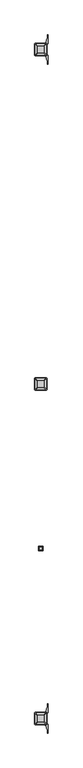
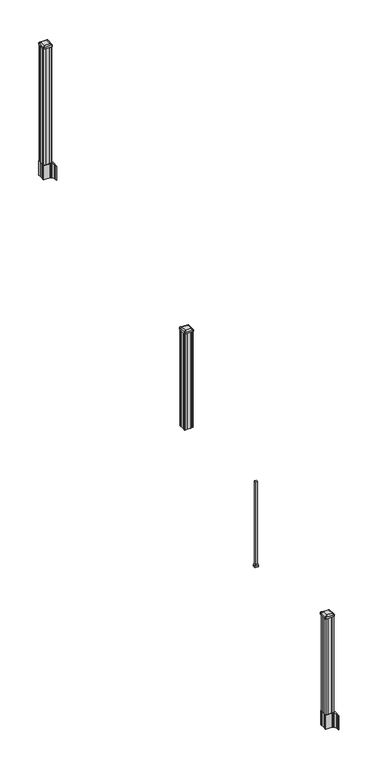
"""IFC4 building model written with IfcOpenShell, lengths in millimetres: railing geometry."""

from ifc_helpers import new_model, si_unit, point, frame, frame_2d, origin, place, context, project, spatial, polyline, circle_curve, trimmed, segment, composite_curve, outline, extrude, faceted_brep, source, transform, mapped, element, save
from ifc_brep_helpers import plane_surface, extruded_surface, advanced_brep


def railing_684fc0f4(model_context):
    return source(origin(), model_context, "Body", "SolidModel", [
        advanced_brep(
        [(8709.4626478, -100746.2347203, 2774.439263), (8712.6376478, -100743.0597203, 2774.439263), (8712.6376478, -100691.4659703, 2774.439263), (8709.4626478, -100688.2909703, 2774.439263), (8657.8688978, -100688.2909703, 2774.439263), (8654.6938978, -100691.4659703, 2774.439263), (8654.6938978, -100743.0597203, 2774.439263), (8657.8688978, -100746.2347203, 2774.439263), (8725.7345228, -100762.5065953, 2763.136263), (8641.5970228, -100762.5065953, 2763.136263), (8638.4220228, -100759.3315953, 2763.136263), (8638.4220228, -100675.1940953, 2763.136263), (8641.5970228, -100672.0190953, 2763.136263), (8725.7345228, -100672.0190953, 2763.136263), (8728.9095228, -100675.1940953, 2763.136263), (8728.9095228, -100759.3315953, 2763.136263)],
        [
            (0, 1, circle_curve(frame((8709.4626478, -100743.0597203, 2774.439263), z_axis=(0.0, 0.0, 1.0), x_axis=(0.0, 1.0, 0.0)), 3.175)),
            (1, 2),
            (2, 3, circle_curve(frame((8709.4626478, -100691.4659703, 2774.439263), z_axis=(0.0, 0.0, 1.0), x_axis=(0.0, 1.0, 0.0)), 3.175)),
            (3, 4),
            (4, 5, circle_curve(frame((8657.8688978, -100691.4659703, 2774.439263), z_axis=(0.0, 0.0, 1.0), x_axis=(0.0, 1.0, 0.0)), 3.175)),
            (5, 6),
            (6, 7, circle_curve(frame((8657.8688978, -100743.0597203, 2774.439263), z_axis=(0.0, 0.0, 1.0), x_axis=(0.0, 1.0, 0.0)), 3.175)),
            (7, 0),
            (8, 9),
            (9, 10, circle_curve(frame((8641.5970228, -100759.3315953, 2763.136263), z_axis=(0.0, 0.0, -1.0), x_axis=(0.0, 1.0, 0.0)), 3.175)),
            (10, 11),
            (11, 12, circle_curve(frame((8641.5970228, -100675.1940953, 2763.136263), z_axis=(0.0, 0.0, -1.0), x_axis=(0.0, 1.0, 0.0)), 3.175)),
            (12, 13),
            (13, 14, circle_curve(frame((8725.7345228, -100675.1940953, 2763.136263), z_axis=(0.0, 0.0, -1.0), x_axis=(0.0, 1.0, 0.0)), 3.175)),
            (14, 15),
            (15, 8, circle_curve(frame((8725.7345228, -100759.3315953, 2763.136263), z_axis=(0.0, 0.0, -1.0), x_axis=(0.0, 1.0, 0.0)), 3.175)),
            (15, 1),
            (0, 8),
            (14, 2),
            (13, 3),
            (12, 4),
            (11, 5),
            (10, 6),
            (9, 7),
        ],
        [
            plane_surface(frame((8683.6657728, -100717.2628453, 2774.439263), z_axis=(0.0, 0.0, 1.0), x_axis=(1.0, 0.0, 0.0))),
            plane_surface(frame((8683.6657728, -100717.2628453, 2763.136263), z_axis=(0.0, 0.0, -1.0), x_axis=(1.0, 0.0, 0.0))),
            extruded_surface(trimmed(circle_curve(frame((8725.7345228, -100759.3315953, 2763.136263), z_axis=(0.0, 0.0, 1.0), x_axis=(0.0, 1.0, 0.0)), 3.175), [point((8725.7345228, -100762.5065953, 2763.136263))], [point((8728.9095228, -100759.3315953, 2763.136263))], True, "CARTESIAN"), (-16.271875000000364, 16.27187499999127, 11.303000000000338), 25.637972638861),
            plane_surface(frame((8728.9095228, -100717.2628453, 2763.136263), z_axis=(0.5705009161540778, 0.0, 0.8212969649690408), x_axis=(0.0, 1.0, 0.0))),
            extruded_surface(trimmed(circle_curve(frame((8725.7345228, -100675.1940953, 2763.136263), z_axis=(0.0, 0.0, 1.0), x_axis=(0.0, 1.0, 0.0)), 3.175), [point((8728.9095228, -100675.1940953, 2763.136263))], [point((8725.7345228, -100672.0190953, 2763.136263))], True, "CARTESIAN"), (-16.271875000000364, -16.27187500000582, 11.303000000000338), 25.637972638870238),
            plane_surface(frame((8683.6657728, -100672.0190953, 2763.136263), z_axis=(0.0, 0.5705009161540291, 0.8212969649690747), x_axis=(-1.0, 0.0, 0.0))),
            extruded_surface(trimmed(circle_curve(frame((8641.5970228, -100675.1940953, 2763.136263), z_axis=(0.0, 0.0, 1.0), x_axis=(0.0, 1.0, 0.0)), 3.175), [point((8641.5970228, -100672.0190953, 2763.136263))], [point((8638.4220228, -100675.1940953, 2763.136263))], True, "CARTESIAN"), (16.271874999998545, -16.27187500000582, 11.303000000000338), 25.637972638869083),
            plane_surface(frame((8638.4220228, -100717.2628453, 2763.136263), z_axis=(-0.5705009161540142, 0.0, 0.8212969649690851), x_axis=(0.0, -1.0, 0.0))),
            extruded_surface(trimmed(circle_curve(frame((8641.5970228, -100759.3315953, 2763.136263), z_axis=(0.0, 0.0, 1.0), x_axis=(0.0, 1.0, 0.0)), 3.175), [point((8638.4220228, -100759.3315953, 2763.136263))], [point((8641.5970228, -100762.5065953, 2763.136263))], True, "CARTESIAN"), (16.271874999998545, 16.27187499999127, 11.303000000000338), 25.637972638859846),
            plane_surface(frame((8683.6657728, -100762.5065953, 2763.136263), z_axis=(0.0, -0.570500916154034, 0.8212969649690713), x_axis=(1.0, 0.0, 0.0))),
        ],
        [
            (0, [[1, 2, 3, 4, 5, 6, 7, 8]]),
            (1, [[9, 10, 11, 12, 13, 14, 15, 16]]),
            (2, [[-16, 17, -1, 18]]),
            (3, [[-15, 19, -2, -17]]),
            (4, [[-14, 20, -3, -19]]),
            (5, [[-13, 21, -4, -20]]),
            (6, [[-12, 22, -5, -21]]),
            (7, [[-11, 23, -6, -22]]),
            (8, [[-10, 24, -7, -23]]),
            (9, [[-9, -18, -8, -24]]),
        ],
    ),
        extrude(outline(composite_curve([segment(polyline([(8725.7345228, -100762.5065953), (8641.5970228, -100762.5065953)]), True, "CONTINUOUS"), segment(trimmed(circle_curve(frame_2d((8641.5970228, -100759.3315953)), 3.175), [point((8641.5970228, -100762.5065953))], [point((8638.4220228, -100759.3315953))], False, "CARTESIAN"), True, "CONTINUOUS"), segment(polyline([(8638.4220228, -100759.3315953), (8638.4220228, -100675.1940953)]), True, "CONTINUOUS"), segment(trimmed(circle_curve(frame_2d((8641.5970228, -100675.1940953)), 3.175), [point((8638.4220228, -100675.1940953))], [point((8641.5970228, -100672.0190953))], False, "CARTESIAN"), True, "CONTINUOUS"), segment(polyline([(8641.5970228, -100672.0190953), (8725.7345228, -100672.0190953)]), True, "CONTINUOUS"), segment(trimmed(circle_curve(frame_2d((8725.7345228, -100675.1940953)), 3.175), [point((8725.7345228, -100672.0190953))], [point((8728.9095228, -100675.1940953))], False, "CARTESIAN"), True, "CONTINUOUS"), segment(polyline([(8728.9095228, -100675.1940953), (8728.9095228, -100759.3315953)]), True, "CONTINUOUS"), segment(trimmed(circle_curve(frame_2d((8725.7345228, -100759.3315953)), 3.175), [point((8728.9095228, -100759.3315953))], [point((8725.7345228, -100762.5065953))], False, "CARTESIAN"), True, "CONTINUOUS")], self_intersect=False)), frame((0.0, 0.0, 2745.864263), z_axis=(0.0, 0.0, 1.0), x_axis=(1.0, 0.0, 0.0)), (0.0, 0.0, 1.0), 17.272),
        extrude(outline(polyline([(8723.3532728, -100758.5378453), (8703.7317728, -100758.5378453), (8702.9697728, -100756.9503453), (8664.3617728, -100756.9503453), (8663.5997728, -100758.5378453), (8643.9782728, -100758.5378453), (8642.3907728, -100756.9503453), (8642.3907728, -100737.3288453), (8643.9782728, -100736.5668453), (8643.9782728, -100697.9588453), (8642.3907728, -100697.1968453), (8642.3907728, -100677.5753453), (8643.9782728, -100675.9878453), (8663.5997728, -100675.9878453), (8664.3617728, -100677.5753453), (8702.9697728, -100677.5753453), (8703.7317728, -100675.9878453), (8723.3532728, -100675.9878453), (8724.9407728, -100677.5753453), (8724.9407728, -100697.1968453), (8723.3532728, -100697.9588453), (8723.3532728, -100736.5668453), (8724.9407728, -100737.3288453), (8724.9407728, -100756.9503453), (8723.3532728, -100758.5378453)])), frame((0.0, 0.0, 1714.5), z_axis=(0.0, 0.0, 1.0), x_axis=(1.0, 0.0, 0.0)), (0.0, 0.0, 1.0), 1031.364263),
        faceted_brep([(8670.9657728, -101949.1628453, 984.6497081), (8696.3657728, -101949.1628453, 984.6497081), (8696.3657728, -101923.7628453, 984.6497081), (8670.9657728, -101923.7628453, 984.6497081), (8667.7907728, -101952.3378453, 968.7747081), (8667.7907728, -101920.5878453, 968.7747081), (8699.5407728, -101920.5878453, 968.7747081), (8699.5407728, -101952.3378453, 968.7747081)], [[[0, 1, 2, 3]], [[4, 5, 6, 7]], [[4, 7, 1, 0]], [[7, 6, 2, 1]], [[6, 5, 3, 2]], [[5, 4, 0, 3]]]),
        extrude(outline(polyline([(8667.7907728, -101952.3378453), (8667.7907728, -101920.5878453), (8699.5407728, -101920.5878453), (8699.5407728, -101952.3378453), (8667.7907728, -101952.3378453)])), frame((0.0, 0.0, 952.5), z_axis=(0.0, 0.0, 1.0), x_axis=(1.0, 0.0, 0.0)), (0.0, 0.0, 1.0), 16.2747081),
        extrude(outline(polyline([(8674.1407728, -101945.9878453), (8674.1407728, -101926.9378453), (8693.1907728, -101926.9378453), (8693.1907728, -101945.9878453), (8674.1407728, -101945.9878453)])), frame((0.0, 0.0, 952.5), z_axis=(0.0, 0.0, 1.0), x_axis=(1.0, 0.0, 0.0)), (0.0, 0.0, 1.0), 914.4),
        extrude(outline(polyline([(8723.3532728, -98278.7358453), (8703.7317728, -98278.7358453), (8702.9697728, -98277.1483453), (8664.3617728, -98277.1483453), (8663.5997728, -98278.7358453), (8643.9782728, -98278.7358453), (8642.3907728, -98277.1483453), (8642.3907728, -98257.5268453), (8643.9782728, -98256.7648453), (8643.9782728, -98218.1568453), (8642.3907728, -98217.3948453), (8642.3907728, -98197.7733453), (8643.9782728, -98196.1858453), (8663.5997728, -98196.1858453), (8664.3617728, -98197.7733453), (8702.9697728, -98197.7733453), (8703.7317728, -98196.1858453), (8723.3532728, -98196.1858453), (8724.9407728, -98197.7733453), (8724.9407728, -98217.3948453), (8723.3532728, -98218.1568453), (8723.3532728, -98256.7648453), (8724.9407728, -98257.5268453), (8724.9407728, -98277.1483453), (8723.3532728, -98278.7358453)])), frame((0.0, 0.0, 3048.0), z_axis=(0.0, 0.0, 1.0), x_axis=(1.0, 0.0, 0.0)), (0.0, 0.0, 1.0), 1247.740513),
        extrude(outline(composite_curve([segment(polyline([(8640.9302728, -98254.8469401), (8640.9302728, -98220.0747504), (8639.3427728, -98219.3127504), (8639.3427728, -98196.5108224), (8642.7157498, -98193.1378453), (8704.1754206, -98193.1378453), (8704.1754206, -98192.2170953), (8709.4929645, -98192.2170953), (8709.4929645, -98190.7628406), (8714.5774942, -98190.7628406), (8714.5774942, -98189.4788168), (8716.2447665, -98189.4788168)]), True, "CONTINUOUS"), segment(trimmed(circle_curve(frame_2d((8716.2447665, -98182.4193569)), 7.0594599), [point((8716.2447665, -98189.4788168))], [point((8723.0120293, -98184.4293636))], True, "CARTESIAN"), True, "CONTINUOUS"), segment(polyline([(8723.0120293, -98184.4293636), (8730.8862236, -98157.9186345)]), True, "CONTINUOUS"), segment(trimmed(circle_curve(frame_2d((8676.1017103, -98141.6465848)), 57.15), [point((8730.8862236, -98157.9186345))], [point((8733.2517103, -98141.6465848))], True, "CARTESIAN"), True, "CONTINUOUS"), segment(polyline([(8733.2517103, -98141.6465848), (8733.2517103, -98129.6378453), (8736.2517103, -98129.6378453), (8736.2517103, -98194.7253453), (8727.9887728, -98206.0636366), (8727.9887728, -98219.3127504), (8726.4012728, -98220.0747504), (8726.4012728, -98254.8469401), (8727.9887728, -98255.6089401), (8727.9887728, -98268.858054), (8736.2517103, -98280.1963453), (8736.2517103, -98345.2838453), (8733.2517103, -98345.2838453), (8733.2517103, -98333.2751057)]), True, "CONTINUOUS"), segment(trimmed(circle_curve(frame_2d((8676.1017103, -98333.2751057)), 57.15), [point((8733.2517103, -98333.2751057))], [point((8730.8862236, -98317.0030561))], True, "CARTESIAN"), True, "CONTINUOUS"), segment(polyline([(8730.8862236, -98317.0030561), (8723.0120293, -98290.492327)]), True, "CONTINUOUS"), segment(trimmed(circle_curve(frame_2d((8716.2447665, -98292.5023337)), 7.0594599), [point((8723.0120293, -98290.492327))], [point((8716.2447665, -98285.4428738))], True, "CARTESIAN"), True, "CONTINUOUS"), segment(polyline([(8716.2447665, -98285.4428738), (8714.5774942, -98285.4428738), (8714.5774942, -98284.15885), (8709.4929645, -98284.15885), (8709.4929645, -98282.7045953), (8704.1754206, -98282.7045953), (8704.1754206, -98281.7838453), (8642.7157498, -98281.7838453), (8639.3427728, -98278.4108682), (8639.3427728, -98255.6089401), (8640.9302728, -98254.8469401)]), True, "CONTINUOUS")], self_intersect=False), holes=[polyline([(8724.9407728, -98197.7733453), (8723.3532728, -98196.1858453), (8686.4289902, -98196.1858453), (8643.9782728, -98196.1858453), (8642.3907728, -98197.7733453), (8642.3907728, -98277.1483453), (8643.9782728, -98278.7358453), (8686.4289902, -98278.7358453), (8723.3532728, -98278.7358453), (8724.9407728, -98277.1483453), (8724.9407728, -98197.7733453)])]), frame((0.0, 0.0, 2895.6), z_axis=(0.0, 0.0, 1.0), x_axis=(1.0, 0.0, 0.0)), (0.0, 0.0, 1.0), 152.4),
        advanced_brep(
        [(8709.4626478, -98266.4327203, 4324.315513), (8712.6376478, -98263.2577203, 4324.315513), (8712.6376478, -98211.6639703, 4324.315513), (8709.4626478, -98208.4889703, 4324.315513), (8657.8688978, -98208.4889703, 4324.315513), (8654.6938978, -98211.6639703, 4324.315513), (8654.6938978, -98263.2577203, 4324.315513), (8657.8688978, -98266.4327203, 4324.315513), (8725.7345228, -98282.7045953, 4313.012513), (8641.5970228, -98282.7045953, 4313.012513), (8638.4220228, -98279.5295953, 4313.012513), (8638.4220228, -98195.3920953, 4313.012513), (8641.5970228, -98192.2170953, 4313.012513), (8725.7345228, -98192.2170953, 4313.012513), (8728.9095228, -98195.3920953, 4313.012513), (8728.9095228, -98279.5295953, 4313.012513)],
        [
            (0, 1, circle_curve(frame((8709.4626478, -98263.2577203, 4324.315513), z_axis=(0.0, 0.0, 1.0), x_axis=(0.0, 1.0, 0.0)), 3.175)),
            (1, 2),
            (2, 3, circle_curve(frame((8709.4626478, -98211.6639703, 4324.315513), z_axis=(0.0, 0.0, 1.0), x_axis=(0.0, 1.0, 0.0)), 3.175)),
            (3, 4),
            (4, 5, circle_curve(frame((8657.8688978, -98211.6639703, 4324.315513), z_axis=(0.0, 0.0, 1.0), x_axis=(0.0, 1.0, 0.0)), 3.175)),
            (5, 6),
            (6, 7, circle_curve(frame((8657.8688978, -98263.2577203, 4324.315513), z_axis=(0.0, 0.0, 1.0), x_axis=(0.0, 1.0, 0.0)), 3.175)),
            (7, 0),
            (8, 9),
            (9, 10, circle_curve(frame((8641.5970228, -98279.5295953, 4313.012513), z_axis=(0.0, 0.0, -1.0), x_axis=(0.0, 1.0, 0.0)), 3.175)),
            (10, 11),
            (11, 12, circle_curve(frame((8641.5970228, -98195.3920953, 4313.012513), z_axis=(0.0, 0.0, -1.0), x_axis=(0.0, 1.0, 0.0)), 3.175)),
            (12, 13),
            (13, 14, circle_curve(frame((8725.7345228, -98195.3920953, 4313.012513), z_axis=(0.0, 0.0, -1.0), x_axis=(0.0, 1.0, 0.0)), 3.175)),
            (14, 15),
            (15, 8, circle_curve(frame((8725.7345228, -98279.5295953, 4313.012513), z_axis=(0.0, 0.0, -1.0), x_axis=(0.0, 1.0, 0.0)), 3.175)),
            (15, 1),
            (0, 8),
            (14, 2),
            (13, 3),
            (12, 4),
            (11, 5),
            (10, 6),
            (9, 7),
        ],
        [
            plane_surface(frame((8683.6657728, -98237.4608453, 4324.315513), z_axis=(0.0, 0.0, 1.0), x_axis=(1.0, 0.0, 0.0))),
            plane_surface(frame((8683.6657728, -98237.4608453, 4313.012513), z_axis=(0.0, 0.0, -1.0), x_axis=(1.0, 0.0, 0.0))),
            extruded_surface(trimmed(circle_curve(frame((8725.7345228, -98279.5295953, 4313.012513), z_axis=(0.0, 0.0, 1.0), x_axis=(0.0, 1.0, 0.0)), 3.175), [point((8725.7345228, -98282.7045953, 4313.012513))], [point((8728.9095228, -98279.5295953, 4313.012513))], True, "CARTESIAN"), (-16.271875000000364, 16.27187500000582, 11.302999999999884), 25.637972638870036),
            plane_surface(frame((8728.9095228, -98237.4608453, 4313.012513), z_axis=(0.5705009161540687, 0.0, 0.8212969649690472), x_axis=(0.0, 1.0, 0.0))),
            extruded_surface(trimmed(circle_curve(frame((8725.7345228, -98195.3920953, 4313.012513), z_axis=(0.0, 0.0, 1.0), x_axis=(0.0, 1.0, 0.0)), 3.175), [point((8728.9095228, -98195.3920953, 4313.012513))], [point((8725.7345228, -98192.2170953, 4313.012513))], True, "CARTESIAN"), (-16.271875000000364, -16.27187499999127, 11.302999999999884), 25.637972638860802),
            plane_surface(frame((8683.6657728, -98192.2170953, 4313.012513), z_axis=(0.0, 0.5705009161540291, 0.8212969649690747), x_axis=(-1.0, 0.0, 0.0))),
            extruded_surface(trimmed(circle_curve(frame((8641.5970228, -98195.3920953, 4313.012513), z_axis=(0.0, 0.0, 1.0), x_axis=(0.0, 1.0, 0.0)), 3.175), [point((8641.5970228, -98192.2170953, 4313.012513))], [point((8638.4220228, -98195.3920953, 4313.012513))], True, "CARTESIAN"), (16.271874999998545, -16.27187499999127, 11.302999999999884), 25.637972638859644),
            plane_surface(frame((8638.4220228, -98237.4608453, 4313.012513), z_axis=(-0.5705009161540233, 0.0, 0.8212969649690787), x_axis=(0.0, -1.0, 0.0))),
            extruded_surface(trimmed(circle_curve(frame((8641.5970228, -98279.5295953, 4313.012513), z_axis=(0.0, 0.0, 1.0), x_axis=(0.0, 1.0, 0.0)), 3.175), [point((8638.4220228, -98279.5295953, 4313.012513))], [point((8641.5970228, -98282.7045953, 4313.012513))], True, "CARTESIAN"), (16.271874999998545, 16.27187500000582, 11.302999999999884), 25.63797263886888),
            plane_surface(frame((8683.6657728, -98282.7045953, 4313.012513), z_axis=(0.0, -0.570500916154034, 0.8212969649690713), x_axis=(1.0, 0.0, 0.0))),
        ],
        [
            (0, [[1, 2, 3, 4, 5, 6, 7, 8]]),
            (1, [[9, 10, 11, 12, 13, 14, 15, 16]]),
            (2, [[-16, 17, -1, 18]]),
            (3, [[-15, 19, -2, -17]]),
            (4, [[-14, 20, -3, -19]]),
            (5, [[-13, 21, -4, -20]]),
            (6, [[-12, 22, -5, -21]]),
            (7, [[-11, 23, -6, -22]]),
            (8, [[-10, 24, -7, -23]]),
            (9, [[-9, -18, -8, -24]]),
        ],
    ),
        extrude(outline(composite_curve([segment(polyline([(8725.7345228, -98282.7045953), (8641.5970228, -98282.7045953)]), True, "CONTINUOUS"), segment(trimmed(circle_curve(frame_2d((8641.5970228, -98279.5295953)), 3.175), [point((8641.5970228, -98282.7045953))], [point((8638.4220228, -98279.5295953))], False, "CARTESIAN"), True, "CONTINUOUS"), segment(polyline([(8638.4220228, -98279.5295953), (8638.4220228, -98195.3920953)]), True, "CONTINUOUS"), segment(trimmed(circle_curve(frame_2d((8641.5970228, -98195.3920953)), 3.175), [point((8638.4220228, -98195.3920953))], [point((8641.5970228, -98192.2170953))], False, "CARTESIAN"), True, "CONTINUOUS"), segment(polyline([(8641.5970228, -98192.2170953), (8725.7345228, -98192.2170953)]), True, "CONTINUOUS"), segment(trimmed(circle_curve(frame_2d((8725.7345228, -98195.3920953)), 3.175), [point((8725.7345228, -98192.2170953))], [point((8728.9095228, -98195.3920953))], False, "CARTESIAN"), True, "CONTINUOUS"), segment(polyline([(8728.9095228, -98195.3920953), (8728.9095228, -98279.5295953)]), True, "CONTINUOUS"), segment(trimmed(circle_curve(frame_2d((8725.7345228, -98279.5295953)), 3.175), [point((8728.9095228, -98279.5295953))], [point((8725.7345228, -98282.7045953))], False, "CARTESIAN"), True, "CONTINUOUS")], self_intersect=False)), frame((0.0, 0.0, 4295.740513), z_axis=(0.0, 0.0, 1.0), x_axis=(1.0, 0.0, 0.0)), (0.0, 0.0, 1.0), 17.272),
        extrude(outline(composite_curve([segment(polyline([(8640.9302728, -103214.4509401), (8640.9302728, -103179.6787504), (8639.3427728, -103178.9167504), (8639.3427728, -103156.1148224), (8642.7157498, -103152.7418453), (8704.1754206, -103152.7418453), (8704.1754206, -103151.8210953), (8709.4929645, -103151.8210953), (8709.4929645, -103150.3668406), (8714.5774942, -103150.3668406), (8714.5774942, -103149.0828168), (8716.2447665, -103149.0828168)]), True, "CONTINUOUS"), segment(trimmed(circle_curve(frame_2d((8716.2447665, -103142.0233569)), 7.0594599), [point((8716.2447665, -103149.0828168))], [point((8723.0120293, -103144.0333636))], True, "CARTESIAN"), True, "CONTINUOUS"), segment(polyline([(8723.0120293, -103144.0333636), (8730.8862236, -103117.5226345)]), True, "CONTINUOUS"), segment(trimmed(circle_curve(frame_2d((8676.1017103, -103101.2505848)), 57.15), [point((8730.8862236, -103117.5226345))], [point((8733.2517103, -103101.2505848))], True, "CARTESIAN"), True, "CONTINUOUS"), segment(polyline([(8733.2517103, -103101.2505848), (8733.2517103, -103089.2418453), (8736.2517103, -103089.2418453), (8736.2517103, -103154.3293453), (8727.9887728, -103165.6676366), (8727.9887728, -103178.9167504), (8726.4012728, -103179.6787504), (8726.4012728, -103214.4509401), (8727.9887728, -103215.2129401), (8727.9887728, -103228.462054), (8736.2517103, -103239.8003453), (8736.2517103, -103304.8878453), (8733.2517103, -103304.8878453), (8733.2517103, -103292.8791057)]), True, "CONTINUOUS"), segment(trimmed(circle_curve(frame_2d((8676.1017103, -103292.8791057)), 57.15), [point((8733.2517103, -103292.8791057))], [point((8730.8862236, -103276.6070561))], True, "CARTESIAN"), True, "CONTINUOUS"), segment(polyline([(8730.8862236, -103276.6070561), (8723.0120293, -103250.096327)]), True, "CONTINUOUS"), segment(trimmed(circle_curve(frame_2d((8716.2447665, -103252.1063337)), 7.0594599), [point((8723.0120293, -103250.096327))], [point((8716.2447665, -103245.0468738))], True, "CARTESIAN"), True, "CONTINUOUS"), segment(polyline([(8716.2447665, -103245.0468738), (8714.5774942, -103245.0468738), (8714.5774942, -103243.76285), (8709.4929645, -103243.76285), (8709.4929645, -103242.3085953), (8704.1754206, -103242.3085953), (8704.1754206, -103241.3878453), (8642.7157498, -103241.3878453), (8639.3427728, -103238.0148682), (8639.3427728, -103215.2129401), (8640.9302728, -103214.4509401)]), True, "CONTINUOUS")], self_intersect=False), holes=[polyline([(8724.9407728, -103157.3773453), (8723.3532728, -103155.7898453), (8686.4289902, -103155.7898453), (8643.9782728, -103155.7898453), (8642.3907728, -103157.3773453), (8642.3907728, -103236.7523453), (8643.9782728, -103238.3398453), (8686.4289902, -103238.3398453), (8723.3532728, -103238.3398453), (8724.9407728, -103236.7523453), (8724.9407728, -103157.3773453)])]), frame((0.0, 0.0, 12.22375), z_axis=(0.0, 0.0, 1.0), x_axis=(1.0, 0.0, 0.0)), (0.0, 0.0, 1.0), 152.4),
        advanced_brep(
        [(8709.4626478, -103226.0367203, 1224.563013), (8712.6376478, -103222.8617203, 1224.563013), (8712.6376478, -103171.2679703, 1224.563013), (8709.4626478, -103168.0929703, 1224.563013), (8657.8688978, -103168.0929703, 1224.563013), (8654.6938978, -103171.2679703, 1224.563013), (8654.6938978, -103222.8617203, 1224.563013), (8657.8688978, -103226.0367203, 1224.563013), (8725.7345228, -103242.3085953, 1213.260013), (8641.5970228, -103242.3085953, 1213.260013), (8638.4220228, -103239.1335953, 1213.260013), (8638.4220228, -103154.9960953, 1213.260013), (8641.5970228, -103151.8210953, 1213.260013), (8725.7345228, -103151.8210953, 1213.260013), (8728.9095228, -103154.9960953, 1213.260013), (8728.9095228, -103239.1335953, 1213.260013)],
        [
            (0, 1, circle_curve(frame((8709.4626478, -103222.8617203, 1224.563013), z_axis=(0.0, 0.0, 1.0), x_axis=(0.0, 1.0, 0.0)), 3.175)),
            (1, 2),
            (2, 3, circle_curve(frame((8709.4626478, -103171.2679703, 1224.563013), z_axis=(0.0, 0.0, 1.0), x_axis=(0.0, 1.0, 0.0)), 3.175)),
            (3, 4),
            (4, 5, circle_curve(frame((8657.8688978, -103171.2679703, 1224.563013), z_axis=(0.0, 0.0, 1.0), x_axis=(0.0, 1.0, 0.0)), 3.175)),
            (5, 6),
            (6, 7, circle_curve(frame((8657.8688978, -103222.8617203, 1224.563013), z_axis=(0.0, 0.0, 1.0), x_axis=(0.0, 1.0, 0.0)), 3.175)),
            (7, 0),
            (8, 9),
            (9, 10, circle_curve(frame((8641.5970228, -103239.1335953, 1213.260013), z_axis=(0.0, 0.0, -1.0), x_axis=(0.0, 1.0, 0.0)), 3.175)),
            (10, 11),
            (11, 12, circle_curve(frame((8641.5970228, -103154.9960953, 1213.260013), z_axis=(0.0, 0.0, -1.0), x_axis=(0.0, 1.0, 0.0)), 3.175)),
            (12, 13),
            (13, 14, circle_curve(frame((8725.7345228, -103154.9960953, 1213.260013), z_axis=(0.0, 0.0, -1.0), x_axis=(0.0, 1.0, 0.0)), 3.175)),
            (14, 15),
            (15, 8, circle_curve(frame((8725.7345228, -103239.1335953, 1213.260013), z_axis=(0.0, 0.0, -1.0), x_axis=(0.0, 1.0, 0.0)), 3.175)),
            (15, 1),
            (0, 8),
            (14, 2),
            (13, 3),
            (12, 4),
            (11, 5),
            (10, 6),
            (9, 7),
        ],
        [
            plane_surface(frame((8683.6657728, -103197.0648453, 1224.563013), z_axis=(0.0, 0.0, 1.0), x_axis=(1.0, 0.0, 0.0))),
            plane_surface(frame((8683.6657728, -103197.0648453, 1213.260013), z_axis=(0.0, 0.0, -1.0), x_axis=(1.0, 0.0, 0.0))),
            extruded_surface(trimmed(circle_curve(frame((8725.7345228, -103239.1335953, 1213.260013), z_axis=(0.0, 0.0, 1.0), x_axis=(0.0, 1.0, 0.0)), 3.175), [point((8725.7345228, -103242.3085953, 1213.260013))], [point((8728.9095228, -103239.1335953, 1213.260013))], True, "CARTESIAN"), (-16.271875000000364, 16.27187499999127, 11.302999999999884), 25.637972638860802),
            plane_surface(frame((8728.9095228, -103197.0648453, 1213.260013), z_axis=(0.5705009161540778, 0.0, 0.8212969649690408), x_axis=(0.0, 1.0, 0.0))),
            extruded_surface(trimmed(circle_curve(frame((8725.7345228, -103154.9960953, 1213.260013), z_axis=(0.0, 0.0, 1.0), x_axis=(0.0, 1.0, 0.0)), 3.175), [point((8728.9095228, -103154.9960953, 1213.260013))], [point((8725.7345228, -103151.8210953, 1213.260013))], True, "CARTESIAN"), (-16.271875000000364, -16.27187500000582, 11.302999999999884), 25.637972638870036),
            plane_surface(frame((8683.6657728, -103151.8210953, 1213.260013), z_axis=(0.0, 0.5705009161540291, 0.8212969649690747), x_axis=(-1.0, 0.0, 0.0))),
            extruded_surface(trimmed(circle_curve(frame((8641.5970228, -103154.9960953, 1213.260013), z_axis=(0.0, 0.0, 1.0), x_axis=(0.0, 1.0, 0.0)), 3.175), [point((8641.5970228, -103151.8210953, 1213.260013))], [point((8638.4220228, -103154.9960953, 1213.260013))], True, "CARTESIAN"), (16.271874999998545, -16.27187500000582, 11.302999999999884), 25.63797263886888),
            plane_surface(frame((8638.4220228, -103197.0648453, 1213.260013), z_axis=(-0.5705009161540142, 0.0, 0.8212969649690851), x_axis=(0.0, -1.0, 0.0))),
            extruded_surface(trimmed(circle_curve(frame((8641.5970228, -103239.1335953, 1213.260013), z_axis=(0.0, 0.0, 1.0), x_axis=(0.0, 1.0, 0.0)), 3.175), [point((8638.4220228, -103239.1335953, 1213.260013))], [point((8641.5970228, -103242.3085953, 1213.260013))], True, "CARTESIAN"), (16.271874999998545, 16.27187499999127, 11.302999999999884), 25.637972638859644),
            plane_surface(frame((8683.6657728, -103242.3085953, 1213.260013), z_axis=(0.0, -0.570500916154034, 0.8212969649690713), x_axis=(1.0, 0.0, 0.0))),
        ],
        [
            (0, [[1, 2, 3, 4, 5, 6, 7, 8]]),
            (1, [[9, 10, 11, 12, 13, 14, 15, 16]]),
            (2, [[-16, 17, -1, 18]]),
            (3, [[-15, 19, -2, -17]]),
            (4, [[-14, 20, -3, -19]]),
            (5, [[-13, 21, -4, -20]]),
            (6, [[-12, 22, -5, -21]]),
            (7, [[-11, 23, -6, -22]]),
            (8, [[-10, 24, -7, -23]]),
            (9, [[-9, -18, -8, -24]]),
        ],
    ),
        extrude(outline(composite_curve([segment(polyline([(8725.7345228, -103242.3085953), (8641.5970228, -103242.3085953)]), True, "CONTINUOUS"), segment(trimmed(circle_curve(frame_2d((8641.5970228, -103239.1335953)), 3.175), [point((8641.5970228, -103242.3085953))], [point((8638.4220228, -103239.1335953))], False, "CARTESIAN"), True, "CONTINUOUS"), segment(polyline([(8638.4220228, -103239.1335953), (8638.4220228, -103154.9960953)]), True, "CONTINUOUS"), segment(trimmed(circle_curve(frame_2d((8641.5970228, -103154.9960953)), 3.175), [point((8638.4220228, -103154.9960953))], [point((8641.5970228, -103151.8210953))], False, "CARTESIAN"), True, "CONTINUOUS"), segment(polyline([(8641.5970228, -103151.8210953), (8725.7345228, -103151.8210953)]), True, "CONTINUOUS"), segment(trimmed(circle_curve(frame_2d((8725.7345228, -103154.9960953)), 3.175), [point((8725.7345228, -103151.8210953))], [point((8728.9095228, -103154.9960953))], False, "CARTESIAN"), True, "CONTINUOUS"), segment(polyline([(8728.9095228, -103154.9960953), (8728.9095228, -103239.1335953)]), True, "CONTINUOUS"), segment(trimmed(circle_curve(frame_2d((8725.7345228, -103239.1335953)), 3.175), [point((8728.9095228, -103239.1335953))], [point((8725.7345228, -103242.3085953))], False, "CARTESIAN"), True, "CONTINUOUS")], self_intersect=False)), frame((0.0, 0.0, 1195.988013), z_axis=(0.0, 0.0, 1.0), x_axis=(1.0, 0.0, 0.0)), (0.0, 0.0, 1.0), 17.272),
        extrude(outline(polyline([(8723.3532728, -103238.3398453), (8703.7317728, -103238.3398453), (8702.9697728, -103236.7523453), (8664.3617728, -103236.7523453), (8663.5997728, -103238.3398453), (8643.9782728, -103238.3398453), (8642.3907728, -103236.7523453), (8642.3907728, -103217.1308453), (8643.9782728, -103216.3688453), (8643.9782728, -103177.7608453), (8642.3907728, -103176.9988453), (8642.3907728, -103157.3773453), (8643.9782728, -103155.7898453), (8663.5997728, -103155.7898453), (8664.3617728, -103157.3773453), (8702.9697728, -103157.3773453), (8703.7317728, -103155.7898453), (8723.3532728, -103155.7898453), (8724.9407728, -103157.3773453), (8724.9407728, -103176.9988453), (8723.3532728, -103177.7608453), (8723.3532728, -103216.3688453), (8724.9407728, -103217.1308453), (8724.9407728, -103236.7523453), (8723.3532728, -103238.3398453)])), frame((0.0, 0.0, 164.62375), z_axis=(0.0, 0.0, 1.0), x_axis=(1.0, 0.0, 0.0)), (0.0, 0.0, 1.0), 1031.364263),
    ])


if __name__ == "__main__":
    model = new_model("IFC4")
    model_context = context("Model", 3, world=origin())
    ifc_project = project(units=[si_unit("LENGTHUNIT", "METRE", prefix="MILLI")], contexts=[model_context])
    site = spatial("IfcSite", under=ifc_project)
    building = spatial("IfcBuilding", under=site)
    placement = place(None, origin())
    railing_shape = railing_684fc0f4(model_context)
    element("IfcRailing", 1, at=placement, inside=building, context=model_context, shape_type="MappedRepresentation", body=[
        mapped(railing_shape, transform((0.0, 0.0, 0.0), x_axis=(1.0, 0.0, 0.0), y_axis=(0.0, 1.0, 0.0), z_axis=(0.0, 0.0, 1.0))),
    ])
    save(model, "model.ifc")
